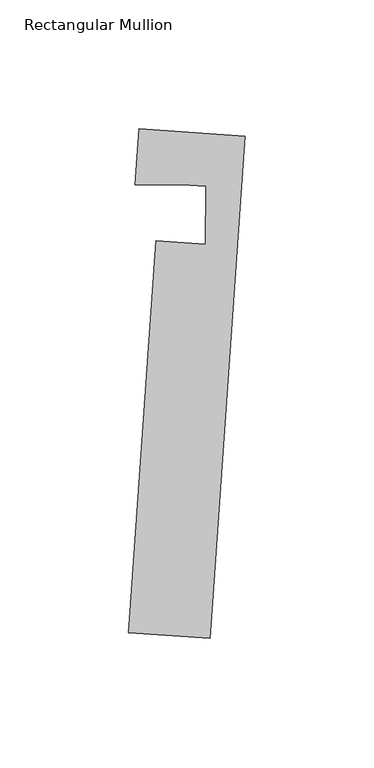
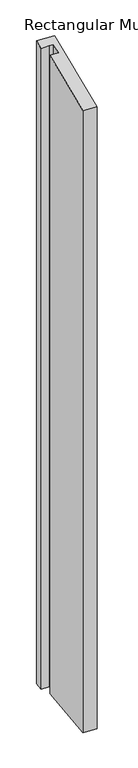
"""IFC4 building model written with IfcOpenShell, lengths in millimetres: member geometry, Rectangular Mullion."""

from ifc_helpers import new_model, si_unit, origin, place, context, project, spatial, faceted_brep, source, transform, mapped, element, save


def rectangular_mullion_00f719aa(model_context):
    return source(origin(), model_context, "Body", "Brep", [
        faceted_brep([(-31.7845604, 0.701648, -1575.3073102), (-12.411116, -0.642882, -1575.3073102), (-12.3603912, 21.8866671, -1575.3073102), (-21.6239054, 22.5295612, -1575.3073102), (-39.8142211, 22.5705163, -1575.3073102), (-38.3131171, 44.2000472, -1575.3073102), (2.8623076, 41.3424451, -1575.3073102), (-10.6620295, -153.5308427, -1575.3073102), (-42.3358434, -151.3326587, -1575.3073102), (-42.3358434, -151.3326587, -41.2027563), (-31.7845604, 0.701648, -0.4013271), (-10.6620295, -153.5308427, -41.2031819), (2.8623076, 41.3424451, 11.0949396), (-38.3131171, 44.2000472, 11.0954929), (-39.8142211, 22.5705163, 5.2907782), (-21.6239054, 22.5295612, 5.6167681), (-12.3603912, 21.8866671, 5.6166436), (-12.411116, -0.642882, -0.4015874)], [[[0, 1, 2, 3, 4, 5, 6, 7, 8]], [[9, 10, 0, 8]], [[11, 9, 8, 7]], [[12, 11, 7, 6]], [[13, 12, 6, 5]], [[14, 13, 5, 4]], [[15, 14, 4, 3]], [[16, 15, 3, 2]], [[17, 16, 2, 1]], [[10, 17, 1, 0]], [[10, 9, 11, 12, 13, 14, 15, 16, 17]]]),
    ])


if __name__ == "__main__":
    model = new_model("IFC4")
    model_context = context("Model", 3, world=origin())
    ifc_project = project(units=[si_unit("LENGTHUNIT", "METRE", prefix="MILLI")], contexts=[model_context])
    site = spatial("IfcSite", under=ifc_project)
    building = spatial("IfcBuilding", under=site)
    placement = place(None, origin())
    rectangular_mullion_shape = rectangular_mullion_00f719aa(model_context)
    element("IfcMember", 1, ObjectType="Rectangular Mullion", at=placement, inside=building, context=model_context, shape_type="MappedRepresentation", body=[
        mapped(rectangular_mullion_shape, transform((0.0, 0.0, 0.0), x_axis=(1.0, 0.0, 0.0), y_axis=(0.0, 1.0, 0.0), z_axis=(0.0, 0.0, 1.0))),
    ])
    save(model, "model.ifc")
